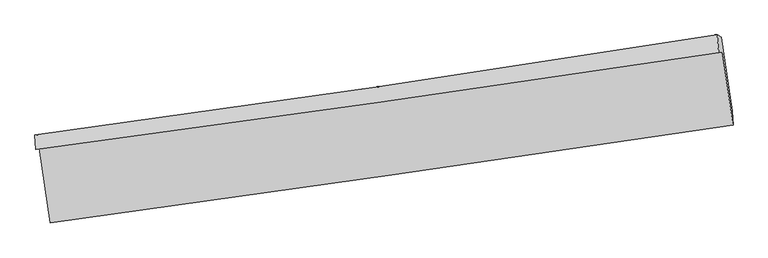
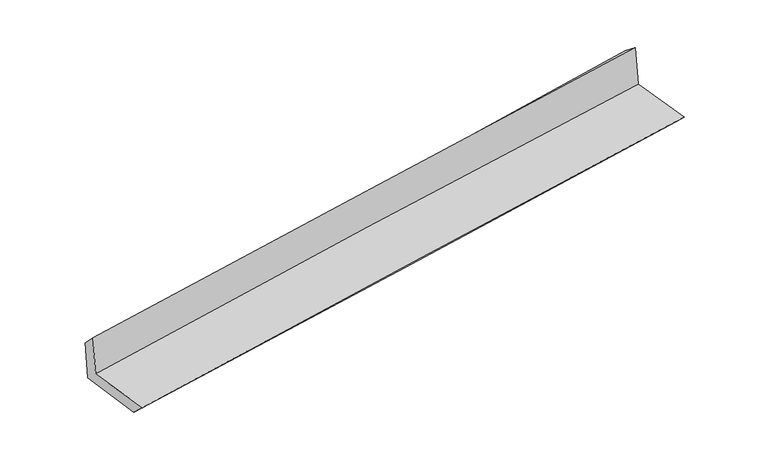
"""IFC4 building model written with IfcOpenShell, lengths in millimetres: proxy geometry."""

import ifcopenshell
import ifcopenshell.guid

model = None  # the IFC model being written
_history = None  # IfcOwnerHistory: only IFC2X3 demands one
_inside = {}  # id of a spatial element -> (the spatial element, [elements in it])
_under = {}  # id of a project, library or spatial element -> (it, [spatial elements below it])
_declared = {}  # id of a project -> (the project, [libraries it declares])
_typed = {}  # id of a type object -> (the type object, [elements of that type])
_made_of = {}  # id of a material, layer set ... -> (it, [elements and type objects made of it])


def new_model(schema):
    """Start an empty IFC model of exactly this schema.

    Asked for "IFC4X3", IfcOpenShell would pick the latest addendum, in which some entities
    have other attributes; the version numbers below select the first issue.
    IFC2X3 requires an IfcOwnerHistory on every rooted entity: one is made here for all.
    """
    global model, _history
    if schema == "IFC4X3":
        model = ifcopenshell.file(schema_version=(4, 3, 0, 0))
    else:
        model = ifcopenshell.file(schema=schema)
    _inside.clear()
    _under.clear()
    _declared.clear()
    _typed.clear()
    _made_of.clear()
    _history = None
    if model.schema == "IFC2X3":
        org = make("IfcOrganization", Name="unknown")
        user = make(
            "IfcPersonAndOrganization",
            ThePerson=make("IfcPerson", FamilyName="unknown"),
            TheOrganization=org,
        )
        app = make(
            "IfcApplication",
            ApplicationDeveloper=org,
            Version="unknown",
            ApplicationFullName="unknown",
            ApplicationIdentifier="unknown",
        )
        _history = make(
            "IfcOwnerHistory",
            OwningUser=user,
            OwningApplication=app,
            ChangeAction="ADDED",
            CreationDate=0,
        )
    return model


def make(cls, **values):
    """One entity of the class cls with the attributes given. An attribute that is None is left unset."""
    return model.create_entity(
        cls, **{name: value for name, value in values.items() if value is not None}
    )


def rooted(cls, **values):
    """An entity with a GlobalId (a new one), such as an element, a storey or a relation."""
    return make(cls, GlobalId=ifcopenshell.guid.new(), OwnerHistory=_history, **values)


def si_unit(unit_type, name, prefix=None):
    """IfcSIUnit, for example si_unit("LENGTHUNIT", "METRE", prefix="MILLI")."""
    return make("IfcSIUnit", UnitType=unit_type, Prefix=prefix, Name=name)


def assignment(units):
    """IfcUnitAssignment: the units of a project."""
    return None if units is None else make("IfcUnitAssignment", Units=units)


def point(xyz):
    """IfcCartesianPoint."""
    return None if xyz is None else make("IfcCartesianPoint", Coordinates=xyz)


def direction(xyz):
    """IfcDirection."""
    return None if xyz is None else make("IfcDirection", DirectionRatios=xyz)


def frame(location, z_axis=None, x_axis=None):
    """IfcAxis2Placement3D, a coordinate frame: its origin and axes. An axis left out is left unset."""
    return make(
        "IfcAxis2Placement3D",
        Location=point(location),
        Axis=direction(z_axis),
        RefDirection=direction(x_axis),
    )


def origin():
    """The frame at (0, 0, 0) with its axes left unset."""
    return frame((0.0, 0.0, 0.0))


def place(relative_to, where):
    """IfcLocalPlacement: puts the frame where relative to a parent placement (None: the world)."""
    return make(
        "IfcLocalPlacement", PlacementRelTo=relative_to, RelativePlacement=where
    )


def context(
    kind, dimensions, precision=None, world=None, true_north=None, identifier=None
):
    """IfcGeometricRepresentationContext, for example the 3D "Model" context."""
    return make(
        "IfcGeometricRepresentationContext",
        ContextIdentifier=identifier,
        ContextType=kind,
        CoordinateSpaceDimension=dimensions,
        Precision=precision,
        WorldCoordinateSystem=world,
        TrueNorth=true_north,
    )


def project(units=None, contexts=None):
    """IfcProject with its units and contexts."""
    return rooted(
        "IfcProject",
        Name="project",
        RepresentationContexts=contexts,
        UnitsInContext=assignment(units),
    )


def spatial(cls, under=None, at=None, **own):
    """A site, building, storey or space (cls), placed at a placement, below another one or the project."""
    s = rooted(cls, ObjectPlacement=at, **own)
    if under is not None:
        _under.setdefault(under.id(), (under, []))[1].append(s)
    return s


def shape(context_of_items, identifier, shape_type, items):
    """IfcShapeRepresentation: the items that make up one representation, for example the "Body"."""
    return make(
        "IfcShapeRepresentation",
        ContextOfItems=context_of_items,
        RepresentationIdentifier=identifier,
        RepresentationType=shape_type,
        Items=items,
    )


def source(mapping_origin, context_of_items, identifier, shape_type, items):
    """IfcRepresentationMap: a shape defined once, which mapped items show again and again."""
    return make(
        "IfcRepresentationMap",
        MappingOrigin=mapping_origin,
        MappedRepresentation=shape(context_of_items, identifier, shape_type, items),
    )


def transform(
    local_origin,
    x_axis=None,
    y_axis=None,
    z_axis=None,
    scale=None,
    scale2=None,
    scale3=None,
    uniform=True,
):
    """IfcCartesianTransformationOperator3D, or its non-uniform kind. x_axis, y_axis, z_axis: its Axis1, 2, 3."""
    if uniform:
        return make(
            "IfcCartesianTransformationOperator3D",
            Axis1=direction(x_axis),
            Axis2=direction(y_axis),
            LocalOrigin=point(local_origin),
            Scale=scale,
            Axis3=direction(z_axis),
        )
    return make(
        "IfcCartesianTransformationOperator3DnonUniform",
        Axis1=direction(x_axis),
        Axis2=direction(y_axis),
        LocalOrigin=point(local_origin),
        Scale=scale,
        Axis3=direction(z_axis),
        Scale2=scale2,
        Scale3=scale3,
    )


def mapped(mapping_source, mapping_target):
    """IfcMappedItem: shows the shape of a source again, moved by a transform."""
    return make(
        "IfcMappedItem", MappingSource=mapping_source, MappingTarget=mapping_target
    )


def made_of(thing, what):
    """Note that an element or type object is made of a material, layer set ...; save() writes the relation."""
    if what is not None:
        _made_of.setdefault(what.id(), (what, []))[1].append(thing)
    return thing


def element(
    cls,
    number,
    at=None,
    inside=None,
    cuts=None,
    type_object=None,
    material=None,
    context=None,
    identifier="Body",
    shape_type=None,
    held_by="IfcProductDefinitionShape",
    body=None,
    shapes=None,
    **own,
):
    """One element of the class cls, such as IfcWall. Its Tag is "e" and its number.

    at: its placement. inside: the storey or other place that contains it. cuts: it is an
    opening in that element (IfcRelVoidsElement). A single representation is given by context,
    identifier, shape_type and body (its items); several are given by shapes. held_by: the class
    of the entity that holds the representations. save() writes the other relations.
    """
    e = rooted(cls, Tag="e%d" % number, ObjectPlacement=at, **own)
    if body is not None:
        shapes = [shape(context, identifier, shape_type, body)]
    if shapes is not None:
        e.Representation = make(held_by, Representations=shapes)
    if inside is not None:
        _inside.setdefault(inside.id(), (inside, []))[1].append(e)
    if cuts is not None:
        rooted(
            "IfcRelVoidsElement", RelatingBuildingElement=cuts, RelatedOpeningElement=e
        )
    if type_object is not None:
        _typed.setdefault(type_object.id(), (type_object, []))[1].append(e)
    return made_of(e, material)


def aggregate(whole, parts):
    """IfcRelAggregates: a whole, such as a stair, and the parts it consists of."""
    return rooted("IfcRelAggregates", RelatingObject=whole, RelatedObjects=parts)


def save(model, path):
    """Write the relations noted so far, then the file.

    IfcRelAggregates (storeys below a building ...), IfcRelContainedInSpatialStructure (elements
    in a storey), IfcRelDefinesByType, IfcRelAssociatesMaterial and IfcRelDeclares: one each for
    every whole, place, type object, material and project.
    """
    for whole, parts in _under.values():
        aggregate(whole, parts)
    for where, things in _inside.values():
        rooted(
            "IfcRelContainedInSpatialStructure",
            RelatedElements=things,
            RelatingStructure=where,
        )
    for kind, things in _typed.values():
        rooted("IfcRelDefinesByType", RelatedObjects=things, RelatingType=kind)
    for what, things in _made_of.values():
        rooted("IfcRelAssociatesMaterial", RelatedObjects=things, RelatingMaterial=what)
    for by, libraries in _declared.values():
        rooted("IfcRelDeclares", RelatingContext=by, RelatedDefinitions=libraries)
    model.write(path)


def plane_surface(at):
    """IfcPlane: the flat surface through the origin of the frame at, square to its z axis."""
    return make("IfcPlane", Position=at)


def spline_curve(degree, points, multiplicities, knots, weights=None):
    """IfcBSplineCurveWithKnots; with weights, IfcRationalBSplineCurveWithKnots."""
    own = dict(
        Degree=degree,
        ControlPointsList=[point(p) for p in points],
        CurveForm="UNSPECIFIED",
        ClosedCurve=False,
        SelfIntersect=False,
        KnotMultiplicities=multiplicities,
        Knots=knots,
        KnotSpec="UNSPECIFIED",
    )
    if weights is None:
        return make("IfcBSplineCurveWithKnots", **own)
    return make("IfcRationalBSplineCurveWithKnots", WeightsData=weights, **own)


def spline_surface(u_degree, v_degree, points, u_multiplicities, v_multiplicities, u_knots, v_knots, weights=None):
    """IfcBSplineSurfaceWithKnots; with weights, IfcRationalBSplineSurfaceWithKnots. points: one row for each step in u."""
    own = dict(
        UDegree=u_degree,
        VDegree=v_degree,
        ControlPointsList=[[point(p) for p in row] for row in points],
        SurfaceForm="UNSPECIFIED",
        UClosed=False,
        VClosed=False,
        SelfIntersect=False,
        UMultiplicities=u_multiplicities,
        VMultiplicities=v_multiplicities,
        UKnots=u_knots,
        VKnots=v_knots,
        KnotSpec="UNSPECIFIED",
    )
    if weights is None:
        return make("IfcBSplineSurfaceWithKnots", **own)
    return make("IfcRationalBSplineSurfaceWithKnots", WeightsData=weights, **own)


def advanced_brep(points, edges, surfaces, faces):
    """IfcAdvancedBrep: a solid bounded by faces that lie on surfaces and meet in shared edges.

    An edge is (start, end): straight between two places in points (the first is 0);
    or (start, end, curve); or (start, end, curve, False) where it runs against its curve.
    A face is (place in surfaces, loops), or (place, loops, False) where it looks against
    its surface's normal. A loop lists edges by number (the first is 1), with a minus sign
    where the edge is run from its end to its start. The first loop is the outer one.
    """
    corners = [point(p) for p in points]
    vertices = [make("IfcVertexPoint", VertexGeometry=c) for c in corners]
    made = []
    for start, end, *more in edges:
        made.append(
            make(
                "IfcEdgeCurve",
                EdgeStart=vertices[start],
                EdgeEnd=vertices[end],
                EdgeGeometry=more[0] if more else make("IfcPolyline", Points=[corners[start], corners[end]]),
                SameSense=more[1] if len(more) > 1 else True,
            )
        )
    hull = []
    for where, loops, *sense in faces:
        bounds = []
        for j, loop in enumerate(loops):
            ring = [make("IfcOrientedEdge", EdgeElement=made[abs(k) - 1], Orientation=k > 0) for k in loop]
            bounds.append(
                make(
                    "IfcFaceOuterBound" if j == 0 else "IfcFaceBound",
                    Bound=make("IfcEdgeLoop", EdgeList=ring),
                    Orientation=True,
                )
            )
        hull.append(make("IfcAdvancedFace", Bounds=bounds, FaceSurface=surfaces[where], SameSense=sense[0] if sense else True))
    return make("IfcAdvancedBrep", Outer=make("IfcClosedShell", CfsFaces=hull))


def generic_models_d88caa1d(model_context):
    return source(origin(), model_context, "Body", "AdvancedBrep", [
        advanced_brep(
        [(-2998.7434127, -1915.536526, 1637.4350028), (-2903.6321061, -2568.5104437, 1640.6997835), (3044.8667879, -1713.5012297, 2136.1043178), (2951.9121562, -1075.2222831, 2132.7197839), (-3031.1448458, -1926.5443921, 2042.4553445), (2919.0869099, -1082.3698903, 2536.0718147), (-3038.324278, -1802.4412829, 1912.0587768), (2906.284363, -926.2137033, 2416.8798712), (-3006.9695845, -1795.6138845, 1526.7766919), (2941.5939723, -945.4591097, 2029.8562115), (-2912.3846107, -2435.2490978, 1513.1048321), (3036.6529683, -1589.6654716, 2018.4914243)],
        [
            (0, 1),
            (1, 2, spline_curve(3, [(-2903.6321061, -2568.5104437, 1640.6997835), (-1912.401659846, -2431.786202238, 1735.484402771), (-921.076201101, -2292.173015637, 1824.160565181), (1061.756765193, -2007.169897898, 1989.295311701), (2053.264271037, -1861.780013327, 2065.753993995), (3044.8667879, -1713.5012297, 2136.1043178)], [4, 2, 4], [0.0, 9.892133541628567, 19.78418749375687])),
            (2, 3),
            (3, 0, spline_curve(3, [(2951.9121562, -1075.2222831, 2132.7197839), (1959.520971925, -1220.821685539, 2067.100537685), (967.439409409, -1363.647303363, 1993.017382939), (-1016.112451609, -1643.752095667, 1827.922591904), (-2007.582745556, -1781.031225614, 1736.91081967), (-2998.7434127, -1915.536526, 1637.4350028)], [4, 2, 4], [0.0, 9.892053952128304, 19.78418749375687])),
            (4, 0),
            (3, 5),
            (5, 4, spline_curve(3, [(2919.0869099, -1082.3698903, 2536.0718147), (1927.836009991, -1231.46854294, 2462.960356249), (936.359909198, -1376.365478214, 2385.270105225), (-1047.050672229, -1657.757046192, 2220.731355455), (-2038.985157031, -1794.251611641, 2133.882783361), (-3031.1448458, -1926.5443921, 2042.4553445)], [4, 2, 4], [0.0, 9.892059339358994, 19.784198268261598])),
            (6, 4),
            (5, 7),
            (7, 6, spline_curve(3, [(2906.284363, -926.2137033, 2416.8798712), (1917.437970035, -1084.925062237, 2331.855819077), (927.632716758, -1237.299438708, 2247.275535813), (-1053.90348165, -1529.37540048, 2079.001830441), (-2045.63444196, -1669.076883926, 1995.308415654), (-3038.324278, -1802.4412829, 1912.0587768)], [4, 2, 4], [0.0, 9.891889444804638, 19.783858477785948])),
            (8, 6),
            (7, 9),
            (9, 8, spline_curve(3, [(2941.5939723, -945.4591097, 2029.8562115), (1950.770123876, -1091.134083974, 1945.702945367), (959.646565471, -1234.817525237, 1861.703187334), (-1023.207948465, -1518.202482188, 1694.010011456), (-2014.93890922, -1657.903965853, 1610.316596537), (-3006.9695845, -1795.6138845, 1526.7766919)], [4, 2, 4], [0.0, 9.89180243347651, 19.783684454429615])),
            (10, 8),
            (9, 11),
            (11, 10, spline_curve(3, [(3036.6529683, -1589.6654716, 2018.4914243), (2045.592109239, -1733.054874607, 1933.184623461), (1054.310543245, -1875.214599822, 1848.415840919), (-928.701979475, -2157.075828073, 1679.953635177), (-1920.432939863, -2296.777311798, 1596.260220102), (-2912.3846107, -2435.2490978, 1513.1048321)], [4, 2, 4], [0.0, 9.891768694981955, 19.783616977169054])),
            (1, 10),
            (11, 2),
        ],
        [
            spline_surface(3, 3, [[(-2998.7434127, -1915.536526, 1637.4350028), (-2007.582745549, -1781.03122559, 1736.91081975), (-1016.112451745, -1643.752095653, 1827.922592015), (967.439409545, -1363.647303377, 1993.017382827), (1959.520972025, -1220.821685696, 2067.100537641), (2951.9121562, -1075.2222831, 2132.7197839)], [(-2967.039643814, -2133.194498565, 1638.523263023), (-1975.855716995, -1997.949551188, 1736.435347442), (-984.433701524, -1859.892402331, 1826.668583096), (998.878528065, -1578.154834877, 1991.776692464), (1990.768738327, -1434.474461555, 2066.651689813), (2982.897033434, -1287.981931982, 2133.847961889)], [(-2935.335874986, -2350.852471135, 1639.611523277), (-1944.128688499, -2214.867876793, 1735.959875167), (-952.754951268, -2076.032708994, 1825.41457412), (1030.317646619, -1792.662366361, 1990.536002045), (2022.016504626, -1648.127237369, 2066.202841918), (3013.881910666, -1500.741580818, 2134.976139811)], [(-2903.6321061, -2568.5104437, 1640.6997835), (-1912.401659945, -2431.786202391, 1735.484402859), (-921.076201047, -2292.173015673, 1824.1605652), (1061.756765139, -2007.169897862, 1989.295311682), (2053.264270928, -1861.780013228, 2065.75399409), (3044.8667879, -1713.5012297, 2136.1043178)]], [4, 4], [4, 2, 4], [0.0, 2.1420071697854586], [0.0, 9.892133541628567, 19.78418749375687]),
            spline_surface(3, 3, [[(-3031.1448458, -1926.5443921, 2042.4553445), (-2038.985156974, -1794.251611637, 2133.882783236), (-1047.050672322, -1657.757046303, 2220.73135548), (936.35990929, -1376.365478103, 2385.2701052), (1927.836009866, -1231.468542811, 2462.960356355), (2919.0869099, -1082.3698903, 2536.0718147)], [(-3020.344368116, -1922.875103411, 1907.448563953), (-2028.517686515, -1789.844816299, 2001.558795427), (-1036.737932121, -1653.088729399, 2089.795100985), (946.719742717, -1372.126086507, 2254.519197735), (1938.397663909, -1227.91959043, 2331.007083448), (2930.028658656, -1079.987354557, 2401.621137764)], [(-3009.543890384, -1919.205814689, 1772.441783347), (-2018.050216008, -1785.438020928, 1869.234807558), (-1026.425191946, -1648.420412556, 1958.858846511), (957.079576119, -1367.886694972, 2123.768290292), (1948.959317982, -1224.370638077, 2199.053810549), (2940.970407444, -1077.604818843, 2267.170460836)], [(-2998.7434127, -1915.536526, 1637.4350028), (-2007.582745549, -1781.03122559, 1736.91081975), (-1016.112451745, -1643.752095653, 1827.922592015), (967.439409545, -1363.647303377, 1993.017382827), (1959.520972025, -1220.821685696, 2067.100537641), (2951.9121562, -1075.2222831, 2132.7197839)]], [4, 4], [4, 2, 4], [0.0, 1.2925862444920335], [0.0, 9.892138928902604, 19.784198268261598]),
            spline_surface(3, 3, [[(-3038.324278, -1802.4412829, 1912.0587768), (-2045.63444198, -1669.07688409, 1995.308415551), (-1053.903481571, -1529.375400511, 2079.001830477), (927.63271668, -1237.299438677, 2247.275535778), (1917.43796991, -1084.925062378, 2331.855818931), (2906.284363, -926.2137033, 2416.8798712)], [(-3035.931133914, -1843.808985954, 1955.524299373), (-2043.418013625, -1710.80179326, 2041.499871452), (-1051.619211841, -1572.169282456, 2126.245005491), (930.541780864, -1283.654785167, 2293.273725599), (1920.903983236, -1133.772889183, 2375.557331385), (2910.551878641, -978.265765628, 2456.610519012)], [(-3033.537989886, -1885.176689046, 1998.989821927), (-2041.201585328, -1752.526702467, 2087.691327335), (-1049.334942052, -1614.963164357, 2173.488180465), (933.450845107, -1330.010131613, 2339.271915379), (1924.36999654, -1182.620716006, 2419.258843902), (2914.819394259, -1030.317827972, 2496.341166888)], [(-3031.1448458, -1926.5443921, 2042.4553445), (-2038.985156974, -1794.251611637, 2133.882783236), (-1047.050672322, -1657.757046303, 2220.73135548), (936.35990929, -1376.365478103, 2385.2701052), (1927.836009866, -1231.468542811, 2462.960356355), (2919.0869099, -1082.3698903, 2536.0718147)]], [4, 4], [4, 2, 4], [0.0, 0.6353669412510481], [0.0, 9.89196903298131, 19.783858477785948]),
            spline_surface(3, 3, [[(-3006.9695845, -1795.6138845, 1526.7766919), (-2014.938909056, -1657.90396578, 1610.316596622), (-1023.207948547, -1518.202482201, 1694.010011548), (959.646565553, -1234.817525224, 1861.703187241), (1950.770123998, -1091.134083863, 1945.70294547), (2941.5939723, -945.4591097, 2029.8562115)], [(-3017.421149017, -1797.889683971, 1655.204053525), (-2025.170753381, -1661.628271888, 1738.647202924), (-1033.439792872, -1521.926788308, 1822.34061785), (948.975282612, -1235.644829713, 1990.227303412), (1939.659405977, -1089.064410041, 2074.420569953), (2929.824102541, -939.04397424, 2158.864098063)], [(-3027.872713483, -1800.165483429, 1783.631415175), (-2035.402597655, -1665.352577982, 1866.977809249), (-1043.671637246, -1525.651094403, 1950.671224175), (938.303999621, -1236.472134189, 2118.751419607), (1928.548687932, -1086.9947362, 2203.138194448), (2918.054232759, -932.62883876, 2287.871984637)], [(-3038.324278, -1802.4412829, 1912.0587768), (-2045.63444198, -1669.07688409, 1995.308415551), (-1053.903481571, -1529.375400511, 2079.001830477), (927.63271668, -1237.299438677, 2247.275535778), (1917.43796991, -1084.925062378, 2331.855818931), (2906.284363, -926.2137033, 2416.8798712)]], [4, 4], [4, 2, 4], [0.0, 1.2684255412337382], [0.0, 9.891882020953105, 19.783684454429615]),
            spline_surface(3, 3, [[(-2912.3846107, -2435.2490978, 1513.1048321), (-1920.432939922, -2296.777311791, 1596.260220089), (-928.701979514, -2157.075828211, 1679.953635015), (1054.310543283, -1875.214599684, 1848.415841081), (2045.592109178, -1733.054874543, 1933.184623538), (3036.6529683, -1589.6654716, 2018.4914243)], [(-2943.912935282, -2222.037360034, 1517.662118706), (-1951.934929616, -2083.819529787, 1600.94567894), (-960.203969207, -1944.118046208, 1684.639093866), (1022.755884024, -1661.748908197, 1852.844956474), (2013.984780777, -1519.08127766, 1937.357397536), (3004.966636292, -1374.930017644, 2022.27968672)], [(-2975.441259918, -2008.825622266, 1522.219405294), (-1983.436919362, -1870.861747783, 1605.631137771), (-991.705958854, -1731.160264204, 1689.324552697), (991.201224812, -1448.28321671, 1857.274071848), (1982.3774524, -1305.107680746, 1941.530171472), (2973.280304308, -1160.194563656, 2026.06794908)], [(-3006.9695845, -1795.6138845, 1526.7766919), (-2014.938909056, -1657.90396578, 1610.316596622), (-1023.207948547, -1518.202482201, 1694.010011548), (959.646565553, -1234.817525224, 1861.703187241), (1950.770123998, -1091.134083863, 1945.70294547), (2941.5939723, -945.4591097, 2029.8562115)]], [4, 4], [4, 2, 4], [0.0, 2.121834677038696], [0.0, 9.891848282187098, 19.783616977169054]),
            spline_surface(3, 3, [[(-2903.6321061, -2568.5104437, 1640.6997835), (-1912.401659945, -2431.786202391, 1735.484402859), (-921.076201047, -2292.173015673, 1824.1605652), (1061.756765139, -2007.169897862, 1989.295311682), (2053.264270928, -1861.780013228, 2065.75399409), (3044.8667879, -1713.5012297, 2136.1043178)], [(-2906.549607656, -2524.089995066, 1598.16813302), (-1915.078753293, -2386.783238857, 1689.076341922), (-923.61812718, -2247.140619848, 1776.091588448), (1059.274691209, -1963.184798465, 1942.335488125), (2050.70688368, -1818.871633649, 2021.564203891), (3042.128848036, -1672.22264365, 2096.900019952)], [(-2909.467109144, -2479.669546434, 1555.63648258), (-1917.755846573, -2341.780275325, 1642.668281026), (-926.16005338, -2202.108224036, 1728.022611766), (1056.792617213, -1919.19969908, 1895.375664638), (2048.149496425, -1775.963254122, 1977.374413736), (3039.390908164, -1630.94405765, 2057.695722148)], [(-2912.3846107, -2435.2490978, 1513.1048321), (-1920.432939922, -2296.777311791, 1596.260220089), (-928.701979514, -2157.075828211, 1679.953635015), (1054.310543283, -1875.214599684, 1848.415841081), (2045.592109178, -1733.054874543, 1933.184623538), (3036.6529683, -1589.6654716, 2018.4914243)]], [4, 4], [4, 2, 4], [0.0, 0.6412730365672238], [0.0, 9.891877276300617, 19.783674965162813]),
            plane_surface(frame((2966.7328596, -1222.071948, 2211.6872372), z_axis=(0.9861003453603933, 0.14404805771099766, 0.08280257212069246), x_axis=(-0.09074518012587911, 0.04946041330783211, 0.9946451527048932))),
            plane_surface(frame((-2981.866473, -2073.9826045, 1712.0884052), z_axis=(-0.9861003453603998, -0.14404805771095885, -0.08280257212068227), x_axis=(-0.14413587813983625, 0.9895455370810582, -0.004947592931774483))),
        ],
        [
            (0, [[1, 2, 3, 4]]),
            (1, [[5, -4, 6, 7]]),
            (2, [[8, -7, 9, 10]]),
            (3, [[11, -10, 12, 13]]),
            (4, [[14, -13, 15, 16]]),
            (5, [[17, -16, 18, -2]]),
            (6, [[-12, -9, -6, -3, -18, -15]]),
            (7, [[-1, -5, -8, -11, -14, -17]]),
        ],
    ),
    ])


if __name__ == "__main__":
    model = new_model("IFC4")
    model_context = context("Model", 3, world=origin())
    ifc_project = project(units=[si_unit("LENGTHUNIT", "METRE", prefix="MILLI")], contexts=[model_context])
    site = spatial("IfcSite", under=ifc_project)
    building = spatial("IfcBuilding", under=site)
    placement = place(None, origin())
    generic_models_shape = generic_models_d88caa1d(model_context)
    element("IfcBuildingElementProxy", 1, Name="Generic Models", at=placement, inside=building, context=model_context, shape_type="MappedRepresentation", body=[
        mapped(generic_models_shape, transform((0.0, 0.0, 0.0), x_axis=(1.0, 0.0, 0.0), y_axis=(0.0, 1.0, 0.0), z_axis=(0.0, 0.0, 1.0))),
    ])
    save(model, "model.ifc")
